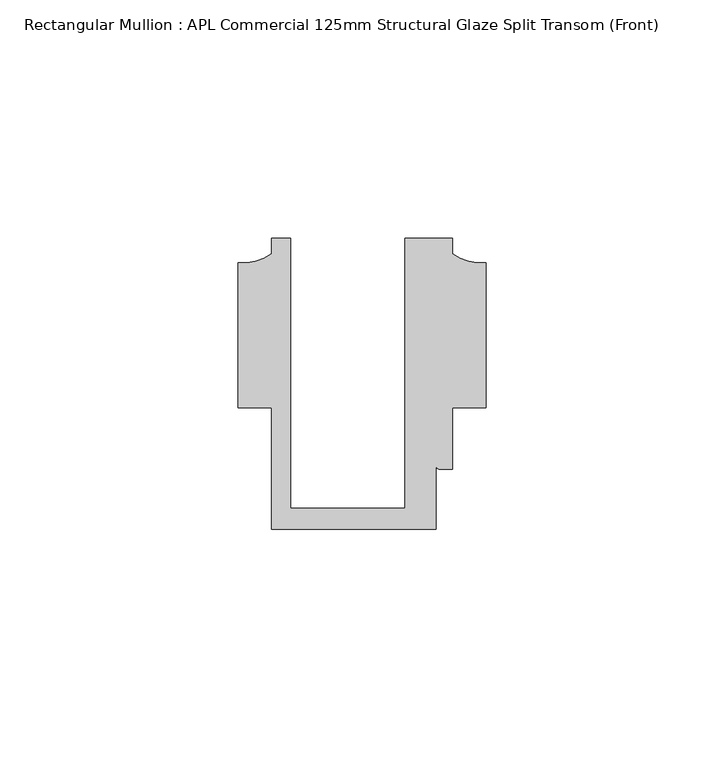
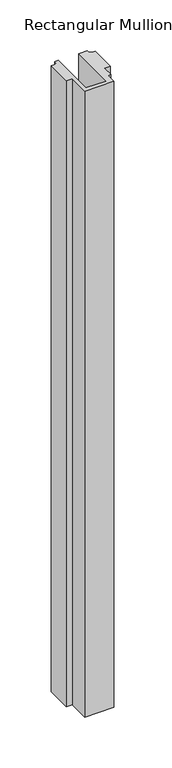
"""IFC4 building model written with IfcOpenShell, lengths in millimetres: member geometry, Rectangular Mullion : APL Commercial 125mm Structural Glaze Split Transom (Front)."""

import ifcopenshell
import ifcopenshell.guid

model = None  # the IFC model being written
_history = None  # IfcOwnerHistory: only IFC2X3 demands one
_inside = {}  # id of a spatial element -> (the spatial element, [elements in it])
_under = {}  # id of a project, library or spatial element -> (it, [spatial elements below it])
_declared = {}  # id of a project -> (the project, [libraries it declares])
_typed = {}  # id of a type object -> (the type object, [elements of that type])
_made_of = {}  # id of a material, layer set ... -> (it, [elements and type objects made of it])


def new_model(schema):
    """Start an empty IFC model of exactly this schema.

    Asked for "IFC4X3", IfcOpenShell would pick the latest addendum, in which some entities
    have other attributes; the version numbers below select the first issue.
    IFC2X3 requires an IfcOwnerHistory on every rooted entity: one is made here for all.
    """
    global model, _history
    if schema == "IFC4X3":
        model = ifcopenshell.file(schema_version=(4, 3, 0, 0))
    else:
        model = ifcopenshell.file(schema=schema)
    _inside.clear()
    _under.clear()
    _declared.clear()
    _typed.clear()
    _made_of.clear()
    _history = None
    if model.schema == "IFC2X3":
        org = make("IfcOrganization", Name="unknown")
        user = make(
            "IfcPersonAndOrganization",
            ThePerson=make("IfcPerson", FamilyName="unknown"),
            TheOrganization=org,
        )
        app = make(
            "IfcApplication",
            ApplicationDeveloper=org,
            Version="unknown",
            ApplicationFullName="unknown",
            ApplicationIdentifier="unknown",
        )
        _history = make(
            "IfcOwnerHistory",
            OwningUser=user,
            OwningApplication=app,
            ChangeAction="ADDED",
            CreationDate=0,
        )
    return model


def make(cls, **values):
    """One entity of the class cls with the attributes given. An attribute that is None is left unset."""
    return model.create_entity(
        cls, **{name: value for name, value in values.items() if value is not None}
    )


def rooted(cls, **values):
    """An entity with a GlobalId (a new one), such as an element, a storey or a relation."""
    return make(cls, GlobalId=ifcopenshell.guid.new(), OwnerHistory=_history, **values)


def si_unit(unit_type, name, prefix=None):
    """IfcSIUnit, for example si_unit("LENGTHUNIT", "METRE", prefix="MILLI")."""
    return make("IfcSIUnit", UnitType=unit_type, Prefix=prefix, Name=name)


def assignment(units):
    """IfcUnitAssignment: the units of a project."""
    return None if units is None else make("IfcUnitAssignment", Units=units)


def point(xyz):
    """IfcCartesianPoint."""
    return None if xyz is None else make("IfcCartesianPoint", Coordinates=xyz)


def direction(xyz):
    """IfcDirection."""
    return None if xyz is None else make("IfcDirection", DirectionRatios=xyz)


def frame(location, z_axis=None, x_axis=None):
    """IfcAxis2Placement3D, a coordinate frame: its origin and axes. An axis left out is left unset."""
    return make(
        "IfcAxis2Placement3D",
        Location=point(location),
        Axis=direction(z_axis),
        RefDirection=direction(x_axis),
    )


def frame_2d(location, x_axis=None):
    """IfcAxis2Placement2D, a coordinate frame in the plane: its origin and x axis."""
    return make(
        "IfcAxis2Placement2D", Location=point(location), RefDirection=direction(x_axis)
    )


def origin():
    """The frame at (0, 0, 0) with its axes left unset."""
    return frame((0.0, 0.0, 0.0))


def place(relative_to, where):
    """IfcLocalPlacement: puts the frame where relative to a parent placement (None: the world)."""
    return make(
        "IfcLocalPlacement", PlacementRelTo=relative_to, RelativePlacement=where
    )


def context(
    kind, dimensions, precision=None, world=None, true_north=None, identifier=None
):
    """IfcGeometricRepresentationContext, for example the 3D "Model" context."""
    return make(
        "IfcGeometricRepresentationContext",
        ContextIdentifier=identifier,
        ContextType=kind,
        CoordinateSpaceDimension=dimensions,
        Precision=precision,
        WorldCoordinateSystem=world,
        TrueNorth=true_north,
    )


def project(units=None, contexts=None):
    """IfcProject with its units and contexts."""
    return rooted(
        "IfcProject",
        Name="project",
        RepresentationContexts=contexts,
        UnitsInContext=assignment(units),
    )


def spatial(cls, under=None, at=None, **own):
    """A site, building, storey or space (cls), placed at a placement, below another one or the project."""
    s = rooted(cls, ObjectPlacement=at, **own)
    if under is not None:
        _under.setdefault(under.id(), (under, []))[1].append(s)
    return s


def polyline(points):
    """IfcPolyline through the points."""
    return make("IfcPolyline", Points=[point(p) for p in points])


def circle_curve(where, radius):
    """IfcCircle in the frame where."""
    return make("IfcCircle", Position=where, Radius=radius)


def trimmed(basis, trim1, trim2, sense, master):
    """IfcTrimmedCurve: the piece of a basis curve between two trims."""
    return make(
        "IfcTrimmedCurve",
        BasisCurve=basis,
        Trim1=trim1,
        Trim2=trim2,
        SenseAgreement=sense,
        MasterRepresentation=master,
    )


def segment(curve, same_sense, transition):
    """IfcCompositeCurveSegment."""
    return make(
        "IfcCompositeCurveSegment",
        Transition=transition,
        SameSense=same_sense,
        ParentCurve=curve,
    )


def composite_curve(segments, self_intersect=None):
    """IfcCompositeCurve: segments joined end to end."""
    return make("IfcCompositeCurve", Segments=segments, SelfIntersect=self_intersect)


def outline(outer, holes=None, kind="AREA"):
    """IfcArbitraryClosedProfileDef: a profile drawn as a closed curve; with holes, ...WithVoids."""
    if holes is None:
        return make("IfcArbitraryClosedProfileDef", ProfileType=kind, OuterCurve=outer)
    return make(
        "IfcArbitraryProfileDefWithVoids",
        ProfileType=kind,
        OuterCurve=outer,
        InnerCurves=holes,
    )


def extrude(swept, where, along, depth):
    """IfcExtrudedAreaSolid: the profile swept, set in the frame where, extruded along a direction by depth."""
    return make(
        "IfcExtrudedAreaSolid",
        SweptArea=swept,
        Position=where,
        ExtrudedDirection=direction(along),
        Depth=depth,
    )


def shape(context_of_items, identifier, shape_type, items):
    """IfcShapeRepresentation: the items that make up one representation, for example the "Body"."""
    return make(
        "IfcShapeRepresentation",
        ContextOfItems=context_of_items,
        RepresentationIdentifier=identifier,
        RepresentationType=shape_type,
        Items=items,
    )


def source(mapping_origin, context_of_items, identifier, shape_type, items):
    """IfcRepresentationMap: a shape defined once, which mapped items show again and again."""
    return make(
        "IfcRepresentationMap",
        MappingOrigin=mapping_origin,
        MappedRepresentation=shape(context_of_items, identifier, shape_type, items),
    )


def transform(
    local_origin,
    x_axis=None,
    y_axis=None,
    z_axis=None,
    scale=None,
    scale2=None,
    scale3=None,
    uniform=True,
):
    """IfcCartesianTransformationOperator3D, or its non-uniform kind. x_axis, y_axis, z_axis: its Axis1, 2, 3."""
    if uniform:
        return make(
            "IfcCartesianTransformationOperator3D",
            Axis1=direction(x_axis),
            Axis2=direction(y_axis),
            LocalOrigin=point(local_origin),
            Scale=scale,
            Axis3=direction(z_axis),
        )
    return make(
        "IfcCartesianTransformationOperator3DnonUniform",
        Axis1=direction(x_axis),
        Axis2=direction(y_axis),
        LocalOrigin=point(local_origin),
        Scale=scale,
        Axis3=direction(z_axis),
        Scale2=scale2,
        Scale3=scale3,
    )


def mapped(mapping_source, mapping_target):
    """IfcMappedItem: shows the shape of a source again, moved by a transform."""
    return make(
        "IfcMappedItem", MappingSource=mapping_source, MappingTarget=mapping_target
    )


def made_of(thing, what):
    """Note that an element or type object is made of a material, layer set ...; save() writes the relation."""
    if what is not None:
        _made_of.setdefault(what.id(), (what, []))[1].append(thing)
    return thing


def element(
    cls,
    number,
    at=None,
    inside=None,
    cuts=None,
    type_object=None,
    material=None,
    context=None,
    identifier="Body",
    shape_type=None,
    held_by="IfcProductDefinitionShape",
    body=None,
    shapes=None,
    **own,
):
    """One element of the class cls, such as IfcWall. Its Tag is "e" and its number.

    at: its placement. inside: the storey or other place that contains it. cuts: it is an
    opening in that element (IfcRelVoidsElement). A single representation is given by context,
    identifier, shape_type and body (its items); several are given by shapes. held_by: the class
    of the entity that holds the representations. save() writes the other relations.
    """
    e = rooted(cls, Tag="e%d" % number, ObjectPlacement=at, **own)
    if body is not None:
        shapes = [shape(context, identifier, shape_type, body)]
    if shapes is not None:
        e.Representation = make(held_by, Representations=shapes)
    if inside is not None:
        _inside.setdefault(inside.id(), (inside, []))[1].append(e)
    if cuts is not None:
        rooted(
            "IfcRelVoidsElement", RelatingBuildingElement=cuts, RelatedOpeningElement=e
        )
    if type_object is not None:
        _typed.setdefault(type_object.id(), (type_object, []))[1].append(e)
    return made_of(e, material)


def aggregate(whole, parts):
    """IfcRelAggregates: a whole, such as a stair, and the parts it consists of."""
    return rooted("IfcRelAggregates", RelatingObject=whole, RelatedObjects=parts)


def save(model, path):
    """Write the relations noted so far, then the file.

    IfcRelAggregates (storeys below a building ...), IfcRelContainedInSpatialStructure (elements
    in a storey), IfcRelDefinesByType, IfcRelAssociatesMaterial and IfcRelDeclares: one each for
    every whole, place, type object, material and project.
    """
    for whole, parts in _under.values():
        aggregate(whole, parts)
    for where, things in _inside.values():
        rooted(
            "IfcRelContainedInSpatialStructure",
            RelatedElements=things,
            RelatingStructure=where,
        )
    for kind, things in _typed.values():
        rooted("IfcRelDefinesByType", RelatedObjects=things, RelatingType=kind)
    for what, things in _made_of.values():
        rooted("IfcRelAssociatesMaterial", RelatedObjects=things, RelatingMaterial=what)
    for by, libraries in _declared.values():
        rooted("IfcRelDeclares", RelatingContext=by, RelatedDefinitions=libraries)
    model.write(path)


def rectangular_mullion_apl_commercial_125mm_structural_glaze_e160d1ed(model_context):
    return source(origin(), model_context, "Body", "SweptSolid", [
        extrude(outline(composite_curve([segment(polyline([(-24.0309529, 20.5), (-24.0309529, -36.1008577), (0.0, -36.1008577), (0.0, 20.5), (10.0000029, 20.5), (10.0000029, 17.3121423)]), True, "CONTINUOUS"), segment(trimmed(circle_curve(frame_2d((16.1098048, 25.7978024)), 10.4563907), [point((10.0000029, 17.3121423))], [point((16.999942, 15.3793686))], True, "CARTESIAN"), True, "CONTINUOUS"), segment(polyline([(16.999942, 15.3793686), (16.999942, -15.0004617), (10.0000029, -15.0004617), (10.0000029, -28.0002131), (7.5000029, -28.0002131)]), True, "CONTINUOUS"), segment(trimmed(circle_curve(frame_2d((7.5000029, -27.0002131)), 1.0), [point((7.5000029, -28.0002131))], [point((6.5000029, -27.0002131))], False, "CARTESIAN"), True, "CONTINUOUS"), segment(polyline([(6.5000029, -27.0002131), (6.5000029, -40.499932), (-28.0000482, -40.499932), (-28.0000482, -15.001276), (-34.9999873, -15.001276), (-34.9999873, 15.3795682)]), True, "CONTINUOUS"), segment(trimmed(circle_curve(frame_2d((-34.10985, 25.7980019)), 10.4563907), [point((-34.9999873, 15.3795682))], [point((-28.0000482, 17.3123419))], True, "CARTESIAN"), True, "CONTINUOUS"), segment(polyline([(-28.0000482, 17.3123419), (-28.0000482, 20.5), (-24.0309529, 20.5)]), True, "CONTINUOUS")], self_intersect=False)), frame((0.0, 0.0, -781.3628177), z_axis=(0.0, 0.0, 1.0), x_axis=(1.0, 0.0, 0.0)), (0.0, 0.0, 1.0), 781.3628177),
    ])


if __name__ == "__main__":
    model = new_model("IFC4")
    model_context = context("Model", 3, world=origin())
    ifc_project = project(units=[si_unit("LENGTHUNIT", "METRE", prefix="MILLI")], contexts=[model_context])
    site = spatial("IfcSite", under=ifc_project)
    building = spatial("IfcBuilding", under=site)
    placement = place(None, origin())
    rectangular_mullion_apl_commercial_125mm_structural_glaze_shape = rectangular_mullion_apl_commercial_125mm_structural_glaze_e160d1ed(model_context)
    element("IfcMember", 1, ObjectType="Rectangular Mullion : APL Commercial 125mm Structural Glaze Split Transom (Front)", at=placement, inside=building, context=model_context, shape_type="MappedRepresentation", body=[
        mapped(rectangular_mullion_apl_commercial_125mm_structural_glaze_shape, transform((0.0, 0.0, 0.0), x_axis=(1.0, 0.0, 0.0), y_axis=(0.0, 1.0, 0.0), z_axis=(0.0, 0.0, 1.0))),
    ])
    save(model, "model.ifc")
